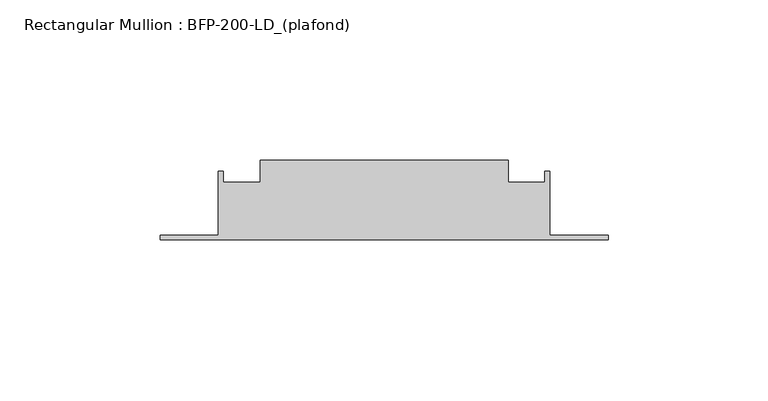
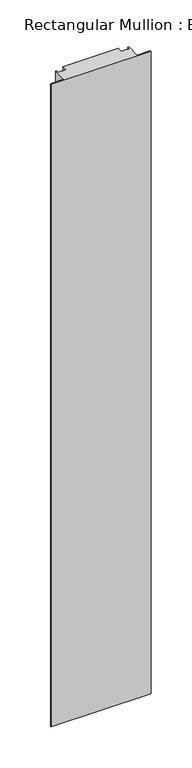
"""IFC4 building model written with IfcOpenShell, lengths in millimetres: member geometry, Rectangular Mullion : BFP-200-LD_(plafond)."""

from ifc_helpers import new_model, si_unit, frame, origin, place, context, project, spatial, polyline, outline, extrude, source, transform, mapped, element, save


def rectangular_mullion_bfp_200_ld_plafond_7d98d494(model_context):
    return source(origin(), model_context, "Body", "SweptSolid", [
        extrude(outline(polyline([(-108.75, 5.0), (-31.25, 5.0), (-31.25, -2.0), (-19.75, -2.0), (-19.75, 1.5), (-18.25, 1.5), (-18.25, -18.5), (0.0, -18.5), (0.0, -20.0), (-140.0, -20.0), (-140.0, -18.5), (-121.75, -18.5), (-121.75, 1.5), (-120.25, 1.5), (-120.25, -2.0), (-108.75, -2.0), (-108.75, 5.0)])), frame((0.0, 0.0, -954.0951859), z_axis=(0.0, 0.0, 1.0), x_axis=(1.0, 0.0, 0.0)), (0.0, 0.0, 1.0), 954.0951859),
    ])


if __name__ == "__main__":
    model = new_model("IFC4")
    model_context = context("Model", 3, world=origin())
    ifc_project = project(units=[si_unit("LENGTHUNIT", "METRE", prefix="MILLI")], contexts=[model_context])
    site = spatial("IfcSite", under=ifc_project)
    building = spatial("IfcBuilding", under=site)
    placement = place(None, origin())
    rectangular_mullion_bfp_200_ld_plafond_shape = rectangular_mullion_bfp_200_ld_plafond_7d98d494(model_context)
    element("IfcMember", 1, ObjectType="Rectangular Mullion : BFP-200-LD_(plafond)", at=placement, inside=building, context=model_context, shape_type="MappedRepresentation", body=[
        mapped(rectangular_mullion_bfp_200_ld_plafond_shape, transform((0.0, 0.0, 0.0), x_axis=(1.0, 0.0, 0.0), y_axis=(0.0, 1.0, 0.0), z_axis=(0.0, 0.0, 1.0))),
    ])
    save(model, "model.ifc")
